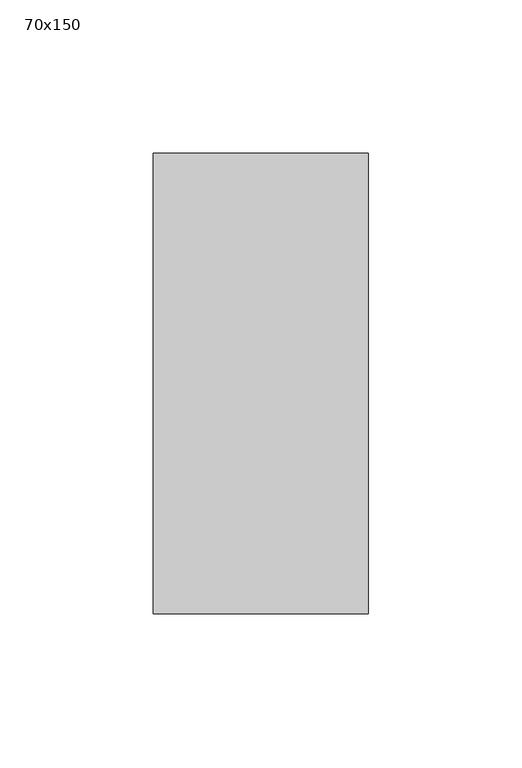
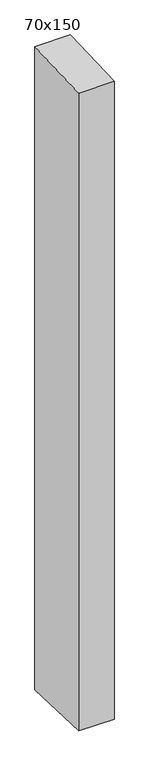
"""IFC4 building model written with IfcOpenShell, lengths in millimetres: member geometry, 70x150."""

from ifc_helpers import new_model, si_unit, frame, origin, place, context, project, spatial, polyline, outline, extrude, source, transform, mapped, element, save


def member_70x150_9edab0c2(model_context):
    return source(origin(), model_context, "Body", "SweptSolid", [
        extrude(outline(polyline([(-75.0, -3.0613676), (75.0, 3.0613676), (75.0, -1341.8430345), (-75.0, -1337.0363798), (-75.0, -3.0613676)])), frame((-70.0, 0.0, 0.0), z_axis=(1.0, 0.0, 0.0), x_axis=(0.0, 1.0, 0.0)), (0.0, 0.0, 1.0), 70.0),
    ])


if __name__ == "__main__":
    model = new_model("IFC4")
    model_context = context("Model", 3, world=origin())
    ifc_project = project(units=[si_unit("LENGTHUNIT", "METRE", prefix="MILLI")], contexts=[model_context])
    site = spatial("IfcSite", under=ifc_project)
    building = spatial("IfcBuilding", under=site)
    placement = place(None, origin())
    member_70x150_shape = member_70x150_9edab0c2(model_context)
    element("IfcMember", 1, ObjectType="70x150", at=placement, inside=building, context=model_context, shape_type="MappedRepresentation", body=[
        mapped(member_70x150_shape, transform((0.0, 0.0, 0.0), x_axis=(1.0, 0.0, 0.0), y_axis=(0.0, 1.0, 0.0), z_axis=(0.0, 0.0, 1.0))),
    ])
    save(model, "model.ifc")
